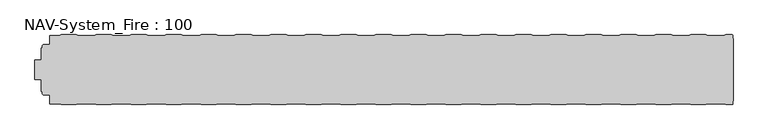
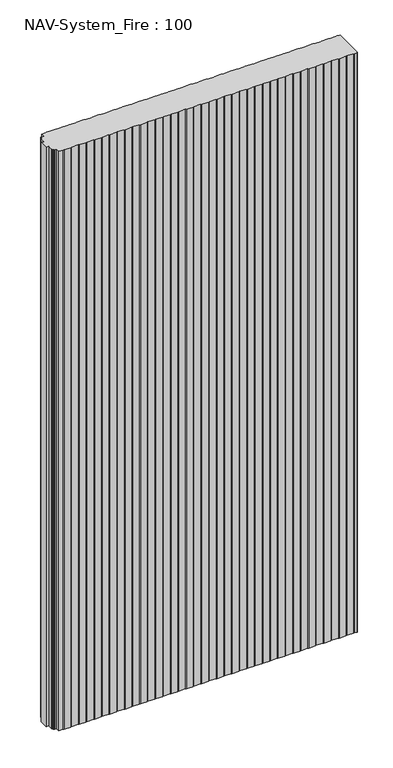
"""IFC4 building model written with IfcOpenShell, lengths in millimetres: plate geometry, NAV-System_Fire : 100."""

from ifc_helpers import new_model, si_unit, point, frame_2d, origin, origin_with_axes, place, context, project, spatial, polyline, circle_curve, trimmed, segment, composite_curve, outline, extrude, source, transform, mapped, element, save


def nav_system_fire_100_1813896b(model_context):
    return source(origin(), model_context, "Body", "SweptSolid", [
        extrude(outline(composite_curve([segment(polyline([(489.3798221, -0.8), (498.2500017, -0.8)]), True, "CONTINUOUS"), segment(trimmed(circle_curve(frame_2d((498.2500017, -2.0000002)), 1.2000002), [point((498.2500017, -0.8))], [point((499.4471561, -1.9174062))], False, "CARTESIAN"), True, "CONTINUOUS"), segment(polyline([(499.4471561, -1.9174062), (499.4471561, -6.2000106), (499.75, -6.2000106), (499.75, -95.3999955), (499.4471561, -95.3999955), (499.4471561, -99.6454029)]), True, "CONTINUOUS"), segment(trimmed(circle_curve(frame_2d((498.2925591, -99.6454029)), 1.1545971), [point((499.4471561, -99.6454029))], [point((498.2925591, -100.8))], False, "CARTESIAN"), True, "CONTINUOUS"), segment(polyline([(498.2925591, -100.8), (489.3798221, -100.8), (486.3798221, -99.8), (464.1201779, -99.8), (461.1201779, -100.8), (439.3798221, -100.8), (436.3798221, -99.8), (414.1201779, -99.8), (411.1201779, -100.8), (389.3798221, -100.8), (386.3798221, -99.8), (364.1201779, -99.8), (361.1201779, -100.8), (339.3798221, -100.8), (336.3798221, -99.8), (314.1201779, -99.8), (311.1201779, -100.8), (289.3798221, -100.8), (286.3798221, -99.8), (264.1201779, -99.8), (261.1201779, -100.8), (239.3798221, -100.8), (236.3798221, -99.8), (214.1201779, -99.8), (211.1201779, -100.8), (189.3798221, -100.8), (186.3798221, -99.8), (164.1201779, -99.8), (161.1201779, -100.8), (139.3798221, -100.8), (136.3798221, -99.8), (114.1201779, -99.8), (111.1201779, -100.8), (89.3798221, -100.8), (86.3798221, -99.8), (64.1201779, -99.8), (61.1201779, -100.8), (39.3798221, -100.8), (36.3798221, -99.8), (14.1201779, -99.8), (11.1201779, -100.8), (-10.6201779, -100.8), (-13.6201779, -99.8), (-35.8798221, -99.8), (-38.8798221, -100.8), (-60.6201779, -100.8), (-63.6201779, -99.8), (-85.8798221, -99.8), (-88.8798221, -100.8), (-110.6201779, -100.8), (-113.6201779, -99.8), (-135.8798221, -99.8), (-138.8798221, -100.8), (-160.6201779, -100.8), (-163.6201779, -99.8), (-185.8798221, -99.8), (-188.8798221, -100.8), (-210.6201779, -100.8), (-213.6201779, -99.8), (-235.8798221, -99.8), (-238.8798221, -100.8), (-260.6201779, -100.8), (-263.6201779, -99.8), (-285.8798221, -99.8), (-288.8798221, -100.8), (-310.6201779, -100.8), (-313.6201779, -99.8), (-335.8798221, -99.8), (-338.8798221, -100.8), (-360.6201779, -100.8), (-363.6201779, -99.8), (-385.8798221, -99.8), (-388.8798221, -100.8), (-410.6201779, -100.8), (-413.6201779, -99.8), (-435.8798221, -99.8), (-438.8798221, -100.8), (-460.6201779, -100.8), (-463.6201779, -99.8), (-476.9102086, -99.8), (-476.9102086, -87.1656781), (-483.4274762, -87.1656781), (-485.8625665, -86.7363058)]), True, "CONTINUOUS"), segment(trimmed(circle_curve(frame_2d((-485.5499995, -84.963651)), 1.8000009), [point((-485.8625665, -86.7363058))], [point((-487.3500004, -84.963651))], False, "CARTESIAN"), True, "CONTINUOUS"), segment(polyline([(-487.3500004, -84.963651), (-487.3500004, -81.6488001), (-488.9000495, -81.6488001), (-488.9000495, -64.8), (-497.9027105, -64.8), (-497.9027105, -36.8), (-488.9002227, -36.8), (-488.9002227, -19.9512003), (-487.3500004, -19.9512003), (-487.3500004, -16.6387681)]), True, "CONTINUOUS"), segment(trimmed(circle_curve(frame_2d((-485.5499995, -16.6387681)), 1.8000009), [point((-487.3500004, -16.6387681))], [point((-485.8625665, -14.8661133))], False, "CARTESIAN"), True, "CONTINUOUS"), segment(polyline([(-485.8625665, -14.8661133), (-483.4274762, -14.436741), (-476.9102086, -14.436741), (-476.9102086, -1.8), (-463.6201779, -1.8), (-460.6201779, -0.8), (-438.8798221, -0.8), (-435.8798221, -1.8), (-413.6201779, -1.8), (-410.6201779, -0.8), (-388.8798221, -0.8), (-385.8798221, -1.8), (-363.6201779, -1.8), (-360.6201779, -0.8), (-338.8798221, -0.8), (-335.8798221, -1.8), (-313.6201779, -1.8), (-310.6201779, -0.8), (-288.8798221, -0.8), (-285.8798221, -1.8), (-263.6201779, -1.8), (-260.6201779, -0.8), (-238.8798221, -0.8), (-235.8798221, -1.8), (-213.6201779, -1.8), (-210.6201779, -0.8), (-188.8798221, -0.8), (-185.8798221, -1.8), (-163.6201779, -1.8), (-160.6201779, -0.8), (-138.8798221, -0.8), (-135.8798221, -1.8), (-113.6201779, -1.8), (-110.6201779, -0.8), (-88.8798221, -0.8), (-85.8798221, -1.8), (-63.6201779, -1.8), (-60.6201779, -0.8), (-38.8798221, -0.8), (-35.8798221, -1.8), (-13.6201779, -1.8), (-10.6201779, -0.8), (11.1201779, -0.8), (14.1201779, -1.8), (36.3798221, -1.8), (39.3798221, -0.8), (61.1201779, -0.8), (64.1201779, -1.8), (86.3798221, -1.8), (89.3798221, -0.8), (111.1201779, -0.8), (114.1201779, -1.8), (136.3798221, -1.8), (139.3798221, -0.8), (161.1201779, -0.8), (164.1201779, -1.8), (186.3798221, -1.8), (189.3798221, -0.8), (211.1201779, -0.8), (214.1201779, -1.8), (236.3798221, -1.8), (239.3798221, -0.8), (261.1201779, -0.8), (264.1201779, -1.8), (286.3798221, -1.8), (289.3798221, -0.8), (311.1201779, -0.8), (314.1201779, -1.8), (336.3798221, -1.8), (339.3798221, -0.8), (361.1201779, -0.8), (364.1201779, -1.8), (386.3798221, -1.8), (389.3798221, -0.8), (411.1201779, -0.8), (414.1201779, -1.8), (436.3798221, -1.8), (439.3798221, -0.8), (461.1201779, -0.8), (464.1201779, -1.8), (486.3798221, -1.8), (489.3798221, -0.8)]), True, "CONTINUOUS")], self_intersect=False)), origin_with_axes(), (0.0, 0.0, 1.0), 2000.0),
    ])


if __name__ == "__main__":
    model = new_model("IFC4")
    model_context = context("Model", 3, world=origin())
    ifc_project = project(units=[si_unit("LENGTHUNIT", "METRE", prefix="MILLI")], contexts=[model_context])
    site = spatial("IfcSite", under=ifc_project)
    building = spatial("IfcBuilding", under=site)
    placement = place(None, origin())
    nav_system_fire_100_shape = nav_system_fire_100_1813896b(model_context)
    element("IfcPlate", 1, ObjectType="NAV-System_Fire : 100", at=placement, inside=building, context=model_context, shape_type="MappedRepresentation", body=[
        mapped(nav_system_fire_100_shape, transform((0.0, 0.0, 0.0), x_axis=(1.0, 0.0, 0.0), y_axis=(0.0, 1.0, 0.0), z_axis=(0.0, 0.0, 1.0))),
    ])
    save(model, "model.ifc")
